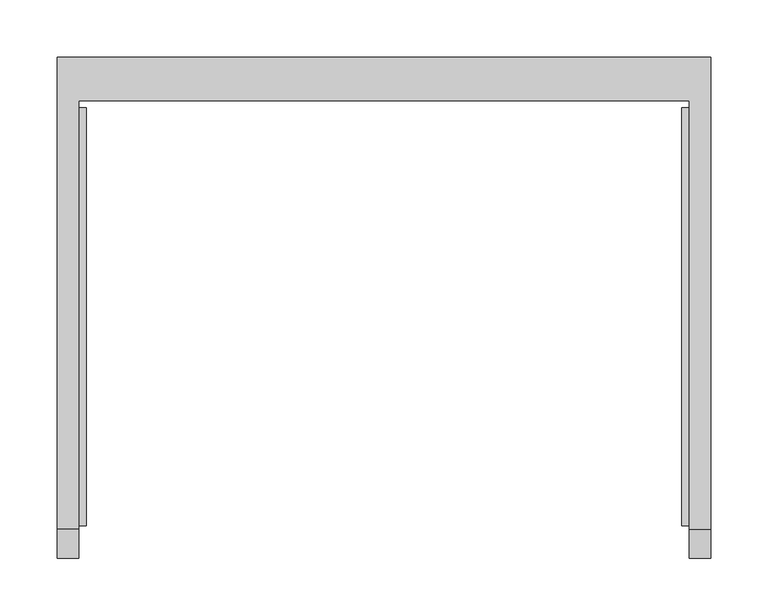
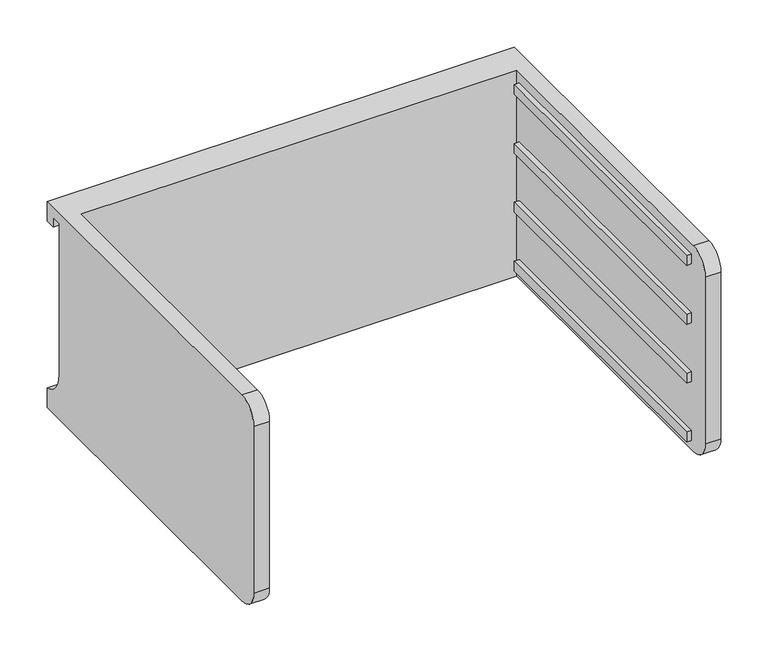
"""IFC4 building model written with IfcOpenShell, lengths in millimetres: furniture geometry."""

from ifc_helpers import new_model, si_unit, frame, origin, place, context, project, spatial, polyline, circle_curve, outline, extrude, source, transform, mapped, element, save
from ifc_brep_helpers import plane_surface, cylinder_surface, revolved_surface, advanced_brep


def furniture_5f351add(model_context):
    return source(origin(), model_context, "Body", "SolidModel", [
        advanced_brep(
        [(-171.7622951, -331.6523397, 799.23132), (-171.7622951, -357.0523397, 773.83132), (-171.7622951, -357.0523397, 557.93132), (-171.7622951, -331.6523397, 532.53132), (-171.7622951, 43.0421197, 532.53132), (-171.7622951, 43.0421197, 799.23132), (-190.8122951, -331.6523397, 532.53132), (-190.8122951, -357.0523397, 557.93132), (-190.8122951, -357.0523397, 773.83132), (-190.8122951, -331.6523397, 799.23132), (-190.8122951, 81.0976603, 799.23132), (-190.8122951, 81.0976603, 773.83132), (-190.8122951, 68.4421197, 773.83132), (-190.8122951, 68.4421197, 786.53132), (-190.8122951, 55.7421197, 786.53132), (-190.8122951, 55.7421197, 590.47634), (-190.8122951, 81.0976603, 557.93132), (-190.8122951, 81.0976603, 532.53132), (380.6877049, 81.0976603, 532.53132), (380.6877049, -331.6523397, 532.53132), (361.6377049, -331.6523397, 532.53132), (361.6377049, 43.0421197, 532.53132), (361.6377049, 43.0421197, 799.23132), (361.6377049, -331.6523397, 799.23132), (380.6877049, -331.6523397, 799.23132), (380.6877049, 81.0976603, 799.23132), (380.6877049, 81.0976603, 557.93132), (380.6877049, 55.7421197, 590.47634), (380.6877049, 55.7421197, 786.53132), (380.6877049, 68.4421197, 786.53132), (380.6877049, 68.4421197, 773.83132), (380.6877049, 81.0976603, 773.83132), (380.6877049, -357.0523397, 773.83132), (380.6877049, -357.0523397, 557.93132), (361.6377049, -357.0523397, 557.93132), (361.6377049, -357.0523397, 773.83132)],
        [
            (0, 1, circle_curve(frame((-171.7622951, -331.6523397, 773.83132), z_axis=(1.0, 0.0, 0.0), x_axis=(0.0, 0.0, 1.0)), 25.4)),
            (1, 2),
            (2, 3, circle_curve(frame((-171.7622951, -331.6523397, 557.93132), z_axis=(1.0, 0.0, 0.0), x_axis=(0.0, 0.0, 1.0)), 25.4)),
            (3, 4),
            (4, 5),
            (5, 0),
            (6, 7, circle_curve(frame((-190.8122951, -331.6523397, 557.93132), z_axis=(-1.0, 0.0, 0.0), x_axis=(0.0, 0.0, 1.0)), 25.4)),
            (7, 8),
            (8, 9, circle_curve(frame((-190.8122951, -331.6523397, 773.83132), z_axis=(-1.0, 0.0, 0.0), x_axis=(0.0, 0.0, 1.0)), 25.4)),
            (9, 10),
            (10, 11),
            (11, 12),
            (12, 13),
            (13, 14),
            (14, 15),
            (15, 16, circle_curve(frame((-190.8122951, 89.3064162, 590.47634), z_axis=(1.0, 0.0, 0.0), x_axis=(0.0, 0.0, 1.0)), 33.5642965)),
            (16, 17),
            (17, 6),
            (0, 9),
            (8, 1),
            (7, 2),
            (6, 3),
            (17, 18),
            (18, 19),
            (19, 20),
            (20, 21),
            (21, 4),
            (5, 22),
            (22, 23),
            (23, 24),
            (24, 25),
            (25, 10),
            (18, 26),
            (26, 27, circle_curve(frame((380.6877049, 89.3064162, 590.47634), z_axis=(-1.0, 0.0, 0.0), x_axis=(0.0, 0.0, 1.0)), 33.5642965)),
            (27, 28),
            (28, 29),
            (29, 30),
            (30, 31),
            (31, 25),
            (24, 32, circle_curve(frame((380.6877049, -331.6523397, 773.83132), z_axis=(1.0, 0.0, 0.0), x_axis=(0.0, 0.0, 1.0)), 25.4)),
            (32, 33),
            (33, 19, circle_curve(frame((380.6877049, -331.6523397, 557.93132), z_axis=(1.0, 0.0, 0.0), x_axis=(0.0, 0.0, 1.0)), 25.4)),
            (16, 26),
            (15, 27),
            (14, 28),
            (13, 29),
            (12, 30),
            (11, 31),
            (21, 22),
            (20, 34, circle_curve(frame((361.6377049, -331.6523397, 557.93132), z_axis=(-1.0, 0.0, 0.0), x_axis=(0.0, 0.0, 1.0)), 25.4)),
            (34, 35),
            (35, 23, circle_curve(frame((361.6377049, -331.6523397, 773.83132), z_axis=(-1.0, 0.0, 0.0), x_axis=(0.0, 0.0, 1.0)), 25.4)),
            (35, 32),
            (34, 33),
        ],
        [
            plane_surface(frame((-171.7622951, -331.6523397, 799.23132), z_axis=(1.0, 0.0, 0.0), x_axis=(0.0, -1.0, 0.0))),
            plane_surface(frame((-190.8122951, -331.6523397, 799.23132), z_axis=(-1.0, 0.0, 0.0), x_axis=(0.0, 1.0, 0.0))),
            cylinder_surface(frame((-190.8122951, -331.6523397, 773.83132), z_axis=(1.0, 0.0, 0.0), x_axis=(0.0, 0.0, 1.0)), 25.4),
            plane_surface(frame((-171.7622951, -357.0523397, 773.83132), z_axis=(0.0, -1.0, 0.0), x_axis=(-1.0, 0.0, 0.0))),
            cylinder_surface(frame((-190.8122951, -331.6523397, 557.93132), z_axis=(1.0, 0.0, 0.0), x_axis=(0.0, 0.0, 1.0)), 25.4),
            plane_surface(frame((-171.7622951, -331.6523397, 532.53132), z_axis=(0.0, 0.0, -1.0), x_axis=(-1.0, 0.0, 0.0))),
            plane_surface(frame((-171.7622951, 43.0421197, 799.23132), z_axis=(0.0, 0.0, 1.0), x_axis=(-1.0, 0.0, 0.0))),
            plane_surface(frame((380.6877049, 81.0976603, 557.93132), z_axis=(1.0, 0.0, 0.0), x_axis=(0.0, 0.0, 1.0))),
            plane_surface(frame((380.6877049, 81.0976603, 532.53132), z_axis=(0.0, 1.0, 0.0), x_axis=(-1.0, 0.0, 0.0))),
            revolved_surface(polyline([(-190.8122951, 89.3064162, 624.0406365), (380.68770489999997, 89.3064162, 624.0406365)]), (-190.8122951, 89.3064162, 590.47634), (-1.0, 0.0, 0.0)),
            plane_surface(frame((380.6877049, 55.7421197, 590.47634), z_axis=(0.0, 1.0, 0.0), x_axis=(-1.0, 0.0, 0.0))),
            plane_surface(frame((380.6877049, 55.7421197, 786.53132), z_axis=(0.0, 0.0, -1.0), x_axis=(-1.0, 0.0, 0.0))),
            plane_surface(frame((380.6877049, 68.4421197, 786.53132), z_axis=(0.0, -1.0, 0.0), x_axis=(-1.0, 0.0, 0.0))),
            plane_surface(frame((380.6877049, 68.4421197, 773.83132), z_axis=(0.0, 0.0, -1.0), x_axis=(-1.0, 0.0, 0.0))),
            plane_surface(frame((380.6877049, 81.0976603, 773.83132), z_axis=(0.0, 1.0, 0.0), x_axis=(-1.0, 0.0, 0.0))),
            plane_surface(frame((380.6877049, 43.0421197, 799.23132), z_axis=(0.0, -1.0, 0.0), x_axis=(-1.0, 0.0, 0.0))),
            plane_surface(frame((361.6377049, -331.6523397, 799.23132), z_axis=(-1.0, 0.0, 0.0), x_axis=(0.0, 1.0, 0.0))),
            cylinder_surface(frame((361.6377049, -331.6523397, 773.83132), z_axis=(1.0, 0.0, 0.0), x_axis=(0.0, 0.0, 1.0)), 25.4),
            plane_surface(frame((380.6877049, -357.0523397, 773.83132), z_axis=(0.0, -1.0, 0.0), x_axis=(-1.0, 0.0, 0.0))),
            cylinder_surface(frame((361.6377049, -331.6523397, 557.93132), z_axis=(1.0, 0.0, 0.0), x_axis=(0.0, 0.0, 1.0)), 25.4),
        ],
        [
            (0, [[1, 2, 3, 4, 5, 6]]),
            (1, [[7, 8, 9, 10, 11, 12, 13, 14, 15, 16, 17, 18]]),
            (2, [[-1, 19, -9, 20]]),
            (3, [[-2, -20, -8, 21]]),
            (4, [[-3, -21, -7, 22]]),
            (5, [[-4, -22, -18, 23, 24, 25, 26, 27]]),
            (6, [[-6, 28, 29, 30, 31, 32, -10, -19]]),
            (7, [[-24, 33, 34, 35, 36, 37, 38, 39, -31, 40, 41, 42]]),
            (8, [[-33, -23, -17, 43]]),
            (9, [[-34, -43, -16, 44]]),
            (10, [[-35, -44, -15, 45]]),
            (11, [[-36, -45, -14, 46]]),
            (12, [[-37, -46, -13, 47]]),
            (13, [[-38, -47, -12, 48]]),
            (14, [[-39, -48, -11, -32]]),
            (15, [[-5, -27, 49, -28]]),
            (16, [[-29, -49, -26, 50, 51, 52]]),
            (17, [[-40, -30, -52, 53]]),
            (18, [[-41, -53, -51, 54]]),
            (19, [[-42, -54, -50, -25]]),
        ],
    ),
        extrude(outline(polyline([(355.2877049, -328.4773397), (355.2877049, 36.6921197), (361.6377049, 36.6921197), (361.6377049, -328.4773397), (355.2877049, -328.4773397)])), frame((0.0, 0.0, 621.43132), z_axis=(0.0, 0.0, 1.0), x_axis=(1.0, 0.0, 0.0)), (0.0, 0.0, 1.0), 12.7),
        extrude(outline(polyline([(355.2877049, -328.4773397), (355.2877049, 36.6921197), (361.6377049, 36.6921197), (361.6377049, -328.4773397), (355.2877049, -328.4773397)])), frame((0.0, 0.0, 697.63132), z_axis=(0.0, 0.0, 1.0), x_axis=(1.0, 0.0, 0.0)), (0.0, 0.0, 1.0), 12.7),
        extrude(outline(polyline([(355.2877049, -328.4773397), (355.2877049, 36.6921197), (361.6377049, 36.6921197), (361.6377049, -328.4773397), (355.2877049, -328.4773397)])), frame((0.0, 0.0, 773.83132), z_axis=(0.0, 0.0, 1.0), x_axis=(1.0, 0.0, 0.0)), (0.0, 0.0, 1.0), 12.7),
        extrude(outline(polyline([(355.2877049, -328.4773397), (355.2877049, 36.6921197), (361.6377049, 36.6921197), (361.6377049, -328.4773397), (355.2877049, -328.4773397)])), frame((0.0, 0.0, 545.23132), z_axis=(0.0, 0.0, 1.0), x_axis=(1.0, 0.0, 0.0)), (0.0, 0.0, 1.0), 12.7),
        extrude(outline(polyline([(-171.7622951, -328.4773397), (-171.7622951, 36.6921197), (-165.4122951, 36.6921197), (-165.4122951, -328.4773397), (-171.7622951, -328.4773397)])), frame((0.0, 0.0, 621.43132), z_axis=(0.0, 0.0, 1.0), x_axis=(1.0, 0.0, 0.0)), (0.0, 0.0, 1.0), 12.7),
        extrude(outline(polyline([(-171.7622951, -328.4773397), (-171.7622951, 36.6921197), (-165.4122951, 36.6921197), (-165.4122951, -328.4773397), (-171.7622951, -328.4773397)])), frame((0.0, 0.0, 697.63132), z_axis=(0.0, 0.0, 1.0), x_axis=(1.0, 0.0, 0.0)), (0.0, 0.0, 1.0), 12.7),
        extrude(outline(polyline([(-171.7622951, -328.4773397), (-171.7622951, 36.6921197), (-165.4122951, 36.6921197), (-165.4122951, -328.4773397), (-171.7622951, -328.4773397)])), frame((0.0, 0.0, 773.83132), z_axis=(0.0, 0.0, 1.0), x_axis=(1.0, 0.0, 0.0)), (0.0, 0.0, 1.0), 12.7),
        extrude(outline(polyline([(-171.7622951, -328.4773397), (-171.7622951, 36.6921197), (-165.4122951, 36.6921197), (-165.4122951, -328.4773397), (-171.7622951, -328.4773397)])), frame((0.0, 0.0, 545.23132), z_axis=(0.0, 0.0, 1.0), x_axis=(1.0, 0.0, 0.0)), (0.0, 0.0, 1.0), 12.7),
    ])


if __name__ == "__main__":
    model = new_model("IFC4")
    model_context = context("Model", 3, world=origin())
    ifc_project = project(units=[si_unit("LENGTHUNIT", "METRE", prefix="MILLI")], contexts=[model_context])
    site = spatial("IfcSite", under=ifc_project)
    building = spatial("IfcBuilding", under=site)
    placement = place(None, origin())
    furniture_shape = furniture_5f351add(model_context)
    element("IfcFurniture", 1, at=placement, inside=building, context=model_context, shape_type="MappedRepresentation", body=[
        mapped(furniture_shape, transform((0.0, 0.0, 0.0), x_axis=(1.0, 0.0, 0.0), y_axis=(0.0, 1.0, 0.0), z_axis=(0.0, 0.0, 1.0))),
    ])
    save(model, "model.ifc")
